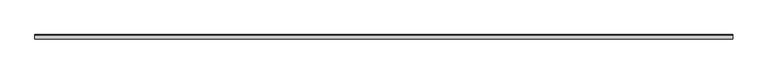
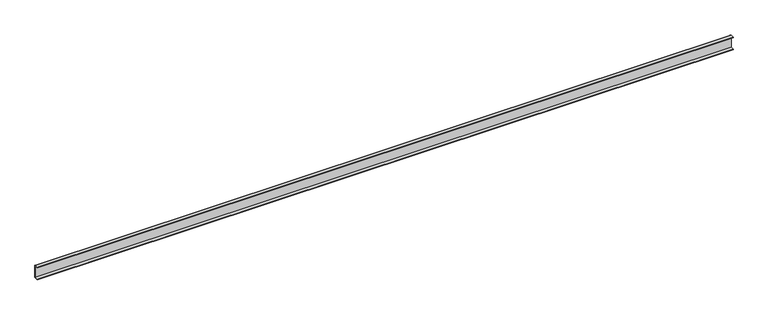
"""IFC4 building model written with IfcOpenShell, lengths in millimetres: proxy geometry."""

from ifc_helpers import new_model, si_unit, point, frame, frame_2d, origin, place, context, project, spatial, polyline, circle_curve, trimmed, segment, composite_curve, outline, extrude, source, transform, mapped, element, save


def mechanical_equipment_43aa4356(model_context):
    return source(origin(), model_context, "Body", "SweptSolid", [
        extrude(outline(composite_curve([segment(polyline([(-6.0, 36.4), (-6.0, 38.0), (4.4, 38.0)]), True, "CONTINUOUS"), segment(trimmed(circle_curve(frame_2d((4.4, 36.4)), 1.6), [point((4.4, 38.0))], [point((6.0, 36.4))], False, "CARTESIAN"), True, "CONTINUOUS"), segment(polyline([(6.0, 36.4), (6.0, 1.6)]), True, "CONTINUOUS"), segment(trimmed(circle_curve(frame_2d((4.4, 1.6)), 1.6), [point((6.0, 1.6))], [point((4.4, 0.0))], False, "CARTESIAN"), True, "CONTINUOUS"), segment(polyline([(4.4, 0.0), (-6.0, 0.0), (-6.0, 1.6), (4.4, 1.6), (4.4, 36.4), (-6.0, 36.4)]), True, "CONTINUOUS")], self_intersect=False)), frame((0.0, 0.0, 0.0), z_axis=(1.0, 0.0, 0.0), x_axis=(0.0, 1.0, 0.0)), (0.0, 0.0, 1.0), 2000.0),
    ])


if __name__ == "__main__":
    model = new_model("IFC4")
    model_context = context("Model", 3, world=origin())
    ifc_project = project(units=[si_unit("LENGTHUNIT", "METRE", prefix="MILLI")], contexts=[model_context])
    site = spatial("IfcSite", under=ifc_project)
    building = spatial("IfcBuilding", under=site)
    placement = place(None, origin())
    mechanical_equipment_shape = mechanical_equipment_43aa4356(model_context)
    element("IfcBuildingElementProxy", 1, Name="Mechanical Equipment", at=placement, inside=building, context=model_context, shape_type="MappedRepresentation", body=[
        mapped(mechanical_equipment_shape, transform((0.0, 0.0, 0.0), x_axis=(1.0, 0.0, 0.0), y_axis=(0.0, 1.0, 0.0), z_axis=(0.0, 0.0, 1.0))),
    ])
    save(model, "model.ifc")
